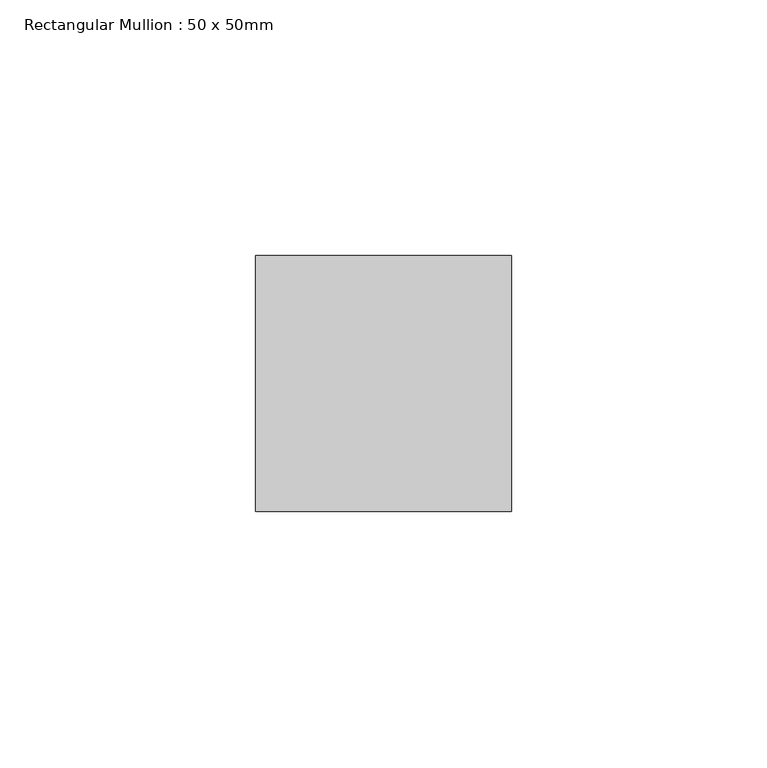
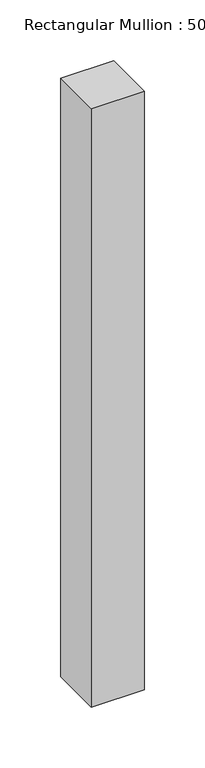
"""IFC4 building model written with IfcOpenShell, lengths in millimetres: member geometry, Rectangular Mullion : 50 x 50mm."""

from ifc_helpers import new_model, si_unit, frame, origin, place, context, project, spatial, polyline, outline, extrude, source, transform, mapped, element, save


def rectangular_mullion_50_x_50mm_cda68e17(model_context):
    return source(origin(), model_context, "Body", "SweptSolid", [
        extrude(outline(polyline([(25.0, 50.0), (25.0, 0.0), (-25.0, 0.0), (-25.0, 50.0), (25.0, 50.0)])), frame((0.0, 0.0, -600.0), z_axis=(0.0, 0.0, 1.0), x_axis=(1.0, 0.0, 0.0)), (0.0, 0.0, 1.0), 600.0),
    ])


if __name__ == "__main__":
    model = new_model("IFC4")
    model_context = context("Model", 3, world=origin())
    ifc_project = project(units=[si_unit("LENGTHUNIT", "METRE", prefix="MILLI")], contexts=[model_context])
    site = spatial("IfcSite", under=ifc_project)
    building = spatial("IfcBuilding", under=site)
    placement = place(None, origin())
    rectangular_mullion_50_x_50mm_shape = rectangular_mullion_50_x_50mm_cda68e17(model_context)
    element("IfcMember", 1, ObjectType="Rectangular Mullion : 50 x 50mm", at=placement, inside=building, context=model_context, shape_type="MappedRepresentation", body=[
        mapped(rectangular_mullion_50_x_50mm_shape, transform((0.0, 0.0, 0.0), x_axis=(1.0, 0.0, 0.0), y_axis=(0.0, 1.0, 0.0), z_axis=(0.0, 0.0, 1.0))),
    ])
    save(model, "model.ifc")
